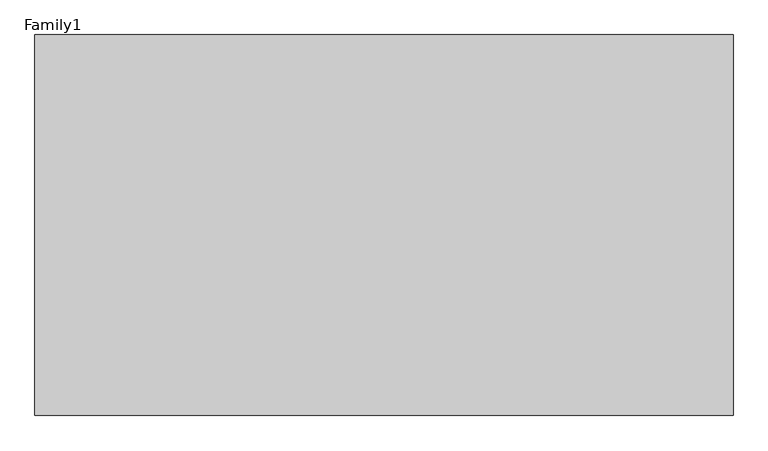
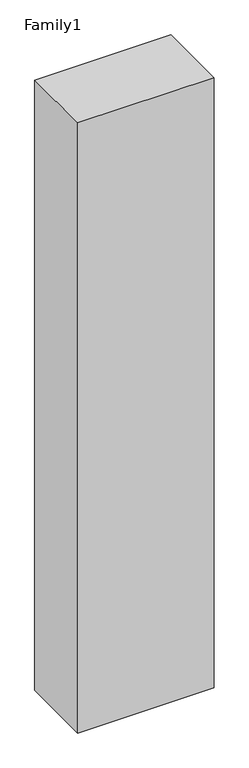
"""IFC4 building model written with IfcOpenShell, lengths in millimetres: proxy geometry, Family1."""

from ifc_helpers import new_model, si_unit, origin, origin_with_axes, place, context, project, spatial, polyline, outline, extrude, source, transform, mapped, element, save


def family1_9ded46cc(model_context):
    return source(origin(), model_context, "Body", "SweptSolid", [
        extrude(outline(polyline([(5500.0, 0.0), (0.0, 0.0), (0.0, 3000.0), (5500.0, 3000.0), (5500.0, 0.0)])), origin_with_axes(), (0.0, 0.0, 1.0), 26000.0),
    ])


if __name__ == "__main__":
    model = new_model("IFC4")
    model_context = context("Model", 3, world=origin())
    ifc_project = project(units=[si_unit("LENGTHUNIT", "METRE", prefix="MILLI")], contexts=[model_context])
    site = spatial("IfcSite", under=ifc_project)
    building = spatial("IfcBuilding", under=site)
    placement = place(None, origin())
    family1_shape = family1_9ded46cc(model_context)
    element("IfcBuildingElementProxy", 1, Name="Family1", ObjectType="Family1", at=placement, inside=building, context=model_context, shape_type="MappedRepresentation", body=[
        mapped(family1_shape, transform((0.0, 0.0, 0.0), x_axis=(1.0, 0.0, 0.0), y_axis=(0.0, 1.0, 0.0), z_axis=(0.0, 0.0, 1.0))),
    ])
    save(model, "model.ifc")
